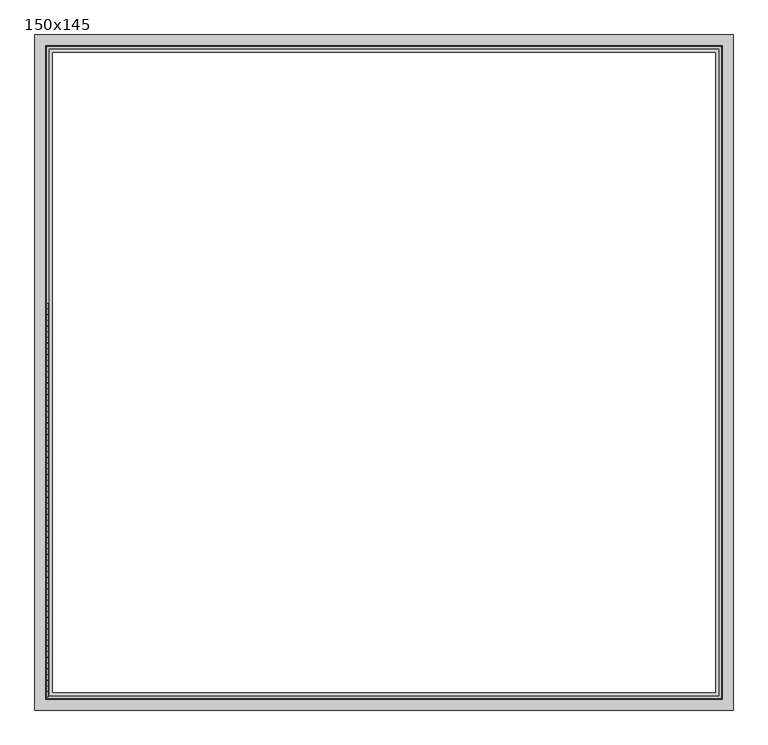
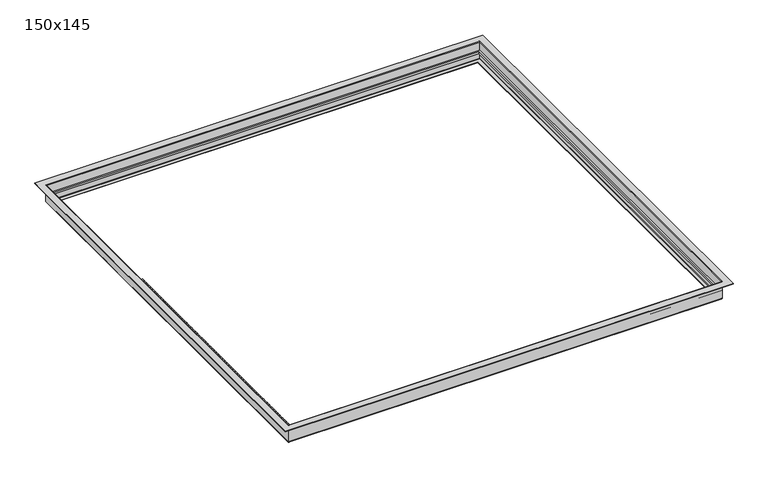
"""IFC4 building model written with IfcOpenShell, lengths in millimetres: proxy geometry, 150x145."""

from ifc_helpers import new_model, si_unit, point, frame, frame_2d, origin, place, context, project, spatial, polyline, circle_curve, ellipse_curve, trimmed, segment, composite_curve, outline, extrude, source, transform, mapped, element, save
from ifc_brep_helpers import plane_surface, cylinder_surface, revolved_surface, advanced_brep


def proxy_150x145_1cbfacc0(model_context):
    return source(origin(), model_context, "Body", "SolidModel", [
        extrude(outline(polyline([(-152.4033794, 725.0033794), (1347.6033794, 725.0033794), (1347.6033794, -725.0033794), (-152.4033794, -725.0033794), (-152.4033794, 725.0033794)]), holes=[polyline([(1341.2533794, 718.6533814), (-146.0533794, 718.6533814), (-146.0533794, -718.6533825), (1341.2533794, -718.6533825), (1341.2533794, 718.6533814)])]), frame((0.0, 0.0, -36.3725982), z_axis=(0.0, 0.0, 1.0), x_axis=(1.0, 0.0, 0.0)), (0.0, 0.0, 1.0), 6.35),
        advanced_brep(
        [(-177.8000002, -750.4000002, 1.5750008), (-177.8000002, -750.4000002, 0.0), (1373.0000002, -750.4000002, 0.0), (1373.0000002, -750.4000002, 1.5750008), (-152.4033794, -725.0033794, -0.1268515), (-154.1781984, -726.7781984, 1.5750008), (1349.3781984, -726.7781984, 1.5750008), (1347.6033794, -725.0033794, -0.1268515), (-152.4033794, -725.0033794, -58.8652384), (1347.6033794, -725.0033794, -58.8652384), (-150.9186192, -723.5186192, -60.3499985), (1346.1186192, -723.5186192, -60.3499985), (-138.100005, -710.700005, -61.9249992), (-138.100005, -710.700005, -60.3499985), (1333.300005, -710.700005, -60.3499985), (1333.300005, -710.700005, -61.9249992), (-153.975001, -726.575001, -59.1648349), (-150.7997951, -723.3997951, -61.9249992), (1345.9997951, -723.3997951, -61.9249992), (1349.175001, -726.575001, -59.1648349), (-153.975001, -726.575001, 0.0), (1349.175001, -726.575001, 0.0), (1373.0000002, 750.4000002, 0.0), (1373.0000002, 750.4000002, 1.5750008), (1349.3781984, 726.7781984, 1.5750008), (1347.6033794, 725.0033794, -0.1268515), (1347.6033794, 725.0033794, -58.8652384), (1346.1186192, 723.5186192, -60.3499985), (1333.300005, 710.700005, -60.3499985), (1333.300005, 710.700005, -61.9249992), (1345.9997951, 723.3997951, -61.9249992), (1349.175001, 726.575001, -59.1648349), (1349.175001, 726.575001, 0.0), (-177.8000002, 750.4000002, 0.0), (-177.8000002, 750.4000002, 1.5750008), (-154.1781984, 726.7781984, 1.5750008), (-152.4033794, 725.0033794, -0.1268515), (-152.4033794, 725.0033794, -58.8652384), (-150.9186192, 723.5186192, -60.3499985), (-138.100005, 710.700005, -60.3499985), (-138.100005, 710.700005, -61.9249992), (-150.7997951, 723.3997951, -61.9249992), (-153.975001, 726.575001, -59.1648349), (-153.975001, 726.575001, 0.0)],
        [
            (0, 1),
            (1, 2),
            (2, 3),
            (3, 0),
            (4, 5, ellipse_curve(frame((-154.1781984, -726.7781984, -0.2013824), z_axis=(0.7071067811865475, -0.7071067811865475, 0.0), x_axis=(-0.7071067811865476, -0.7071067811865474, 0.0)), 2.5121852, 1.7763832)),
            (5, 6),
            (6, 7, ellipse_curve(frame((1349.3781984, -726.7781984, -0.2013824), z_axis=(-0.7071067811865475, -0.7071067811865475, 0.0), x_axis=(-0.7071067811865476, 0.7071067811865474, 0.0)), 2.5121852, 1.7763832)),
            (7, 4),
            (8, 4),
            (7, 9),
            (9, 8),
            (10, 8, ellipse_curve(frame((-150.9186192, -723.5186192, -58.8652384), z_axis=(-0.7071067811865475, 0.7071067811865475, 0.0), x_axis=(0.7071067811865476, 0.7071067811865474, 0.0)), 2.0997679, 1.4847601)),
            (9, 11, ellipse_curve(frame((1346.1186192, -723.5186192, -58.8652384), z_axis=(0.7071067811865475, 0.7071067811865475, 0.0), x_axis=(0.7071067811865476, -0.7071067811865474, 0.0)), 2.0997679, 1.4847601)),
            (11, 10),
            (12, 13),
            (13, 14),
            (14, 15),
            (15, 12),
            (16, 17, ellipse_curve(frame((-150.7997951, -723.3997951, -58.7185888), z_axis=(0.7071067811865475, -0.7071067811865475, 0.0), x_axis=(-0.7071067811865476, -0.7071067811865474, 0.0)), 4.5345492, 3.2064105)),
            (17, 18),
            (18, 19, ellipse_curve(frame((1345.9997951, -723.3997951, -58.7185888), z_axis=(-0.7071067811865475, -0.7071067811865475, 0.0), x_axis=(-0.7071067811865476, 0.7071067811865474, 0.0)), 4.5345492, 3.2064105)),
            (19, 16),
            (20, 16),
            (19, 21),
            (21, 20),
            (2, 22),
            (22, 23),
            (23, 3),
            (6, 24),
            (24, 25, ellipse_curve(frame((1349.3781984, 726.7781984, -0.2013824), z_axis=(0.7071067811865475, -0.7071067811865475, 0.0), x_axis=(-0.7071067811865474, -0.7071067811865476, 0.0)), 2.5121852, 1.7763832)),
            (25, 7),
            (25, 26),
            (26, 9),
            (26, 27, ellipse_curve(frame((1346.1186192, 723.5186192, -58.8652384), z_axis=(-0.7071067811865475, 0.7071067811865475, 0.0), x_axis=(0.7071067811865474, 0.7071067811865476, 0.0)), 2.0997679, 1.4847601)),
            (27, 11),
            (14, 28),
            (28, 29),
            (29, 15),
            (18, 30),
            (30, 31, ellipse_curve(frame((1345.9997951, 723.3997951, -58.7185888), z_axis=(0.7071067811865475, -0.7071067811865475, 0.0), x_axis=(-0.7071067811865474, -0.7071067811865476, 0.0)), 4.5345492, 3.2064105)),
            (31, 19),
            (31, 32),
            (32, 21),
            (22, 33),
            (33, 34),
            (34, 23),
            (24, 35),
            (35, 36, ellipse_curve(frame((-154.1781984, 726.7781984, -0.2013824), z_axis=(0.7071067811865475, 0.7071067811865475, 0.0), x_axis=(0.7071067811865476, -0.7071067811865474, 0.0)), 2.5121852, 1.7763832)),
            (36, 25),
            (36, 37),
            (37, 26),
            (37, 38, ellipse_curve(frame((-150.9186192, 723.5186192, -58.8652384), z_axis=(-0.7071067811865475, -0.7071067811865475, 0.0), x_axis=(-0.7071067811865476, 0.7071067811865474, 0.0)), 2.0997679, 1.4847601)),
            (38, 27),
            (28, 39),
            (39, 40),
            (40, 29),
            (30, 41),
            (41, 42, ellipse_curve(frame((-150.7997951, 723.3997951, -58.7185888), z_axis=(0.7071067811865475, 0.7071067811865475, 0.0), x_axis=(0.7071067811865476, -0.7071067811865474, 0.0)), 4.5345492, 3.2064105)),
            (42, 31),
            (42, 43),
            (43, 32),
            (33, 1),
            (0, 34),
            (5, 35),
            (4, 36),
            (8, 37),
            (10, 38),
            (13, 39),
            (12, 40),
            (17, 41),
            (16, 42),
            (20, 43),
        ],
        [
            plane_surface(frame((-177.8000002, -750.4000002, 0.0), z_axis=(0.0, -1.0, 0.0), x_axis=(1.0, 0.0, 0.0))),
            cylinder_surface(frame((-177.8, -726.7781984, -0.2013824), z_axis=(-1.0, 0.0, 0.0), x_axis=(0.0, 1.0, 0.0)), 1.7763832),
            plane_surface(frame((-152.4033794, -725.0033794, -0.1268515), z_axis=(0.0, 1.0, 0.0), x_axis=(1.0, 0.0, 0.0))),
            revolved_surface(polyline([(1347.6033794, -722.0338591, -58.8652384), (-152.4033794, -722.0338591, -58.8652384)]), (-177.8, -723.5186192, -58.8652384), (1.0, 0.0, 0.0)),
            plane_surface(frame((-138.100005, -710.700005, -60.3499985), z_axis=(0.0, 1.0, 0.0), x_axis=(1.0, 0.0, 0.0))),
            cylinder_surface(frame((-177.8, -723.3997951, -58.7185888), z_axis=(-1.0, 0.0, 0.0), x_axis=(0.0, 1.0, 0.0)), 3.2064105),
            plane_surface(frame((-153.975001, -726.575001, -59.1648349), z_axis=(0.0, -1.0, 0.0), x_axis=(1.0, 0.0, 0.0))),
            plane_surface(frame((1373.0000002, -750.4000002, 0.0), z_axis=(1.0, 0.0, 0.0), x_axis=(0.0, 1.0, 0.0))),
            cylinder_surface(frame((1349.3781984, -750.4, -0.2013824), z_axis=(0.0, -1.0, 0.0), x_axis=(-1.0, 0.0, 0.0)), 1.7763832),
            plane_surface(frame((1347.6033794, -725.0033794, -0.1268515), z_axis=(-1.0, 0.0, 0.0), x_axis=(0.0, 1.0, 0.0))),
            revolved_surface(polyline([(1344.6338591, 725.0033794, -58.8652384), (1344.6338591, -725.0033794, -58.8652384)]), (1346.1186192, -750.4, -58.8652384), (0.0, 1.0, 0.0)),
            plane_surface(frame((1333.300005, -710.700005, -60.3499985), z_axis=(-1.0, 0.0, 0.0), x_axis=(0.0, 1.0, 0.0))),
            cylinder_surface(frame((1345.9997951, -750.4, -58.7185888), z_axis=(0.0, -1.0, 0.0), x_axis=(-1.0, 0.0, 0.0)), 3.2064105),
            plane_surface(frame((1349.175001, -726.575001, -59.1648349), z_axis=(1.0, 0.0, 0.0), x_axis=(0.0, 1.0, 0.0))),
            plane_surface(frame((1373.0000002, 750.4000002, 0.0), z_axis=(0.0, 1.0, 0.0), x_axis=(-1.0, 0.0, 0.0))),
            cylinder_surface(frame((1373.0, 726.7781984, -0.2013824), z_axis=(1.0, 0.0, 0.0), x_axis=(0.0, -1.0, 0.0)), 1.7763832),
            plane_surface(frame((1347.6033794, 725.0033794, -0.1268515), z_axis=(0.0, -1.0, 0.0), x_axis=(-1.0, 0.0, 0.0))),
            revolved_surface(polyline([(-152.40337939999995, 722.0338591, -58.8652384), (1347.6033794, 722.0338591, -58.8652384)]), (1373.0, 723.5186192, -58.8652384), (-1.0, 0.0, 0.0)),
            plane_surface(frame((1333.300005, 710.700005, -60.3499985), z_axis=(0.0, -1.0, 0.0), x_axis=(-1.0, 0.0, 0.0))),
            cylinder_surface(frame((1373.0, 723.3997951, -58.7185888), z_axis=(1.0, 0.0, 0.0), x_axis=(0.0, -1.0, 0.0)), 3.2064105),
            plane_surface(frame((1349.175001, 726.575001, -59.1648349), z_axis=(0.0, 1.0, 0.0), x_axis=(-1.0, 0.0, 0.0))),
            plane_surface(frame((-177.8000002, 750.4000002, 0.0), z_axis=(-1.0, 0.0, 0.0), x_axis=(0.0, -1.0, 0.0))),
            plane_surface(frame((-177.8000002, 750.4000002, 1.5750008), z_axis=(0.0, 0.0, 1.0), x_axis=(0.0, -1.0, 0.0))),
            cylinder_surface(frame((-154.1781984, 750.4, -0.2013824), z_axis=(0.0, 1.0, 0.0), x_axis=(1.0, 0.0, 0.0)), 1.7763832),
            plane_surface(frame((-152.4033794, 725.0033794, -0.1268515), z_axis=(1.0, 0.0, 0.0), x_axis=(0.0, -1.0, 0.0))),
            revolved_surface(polyline([(-149.4338591, -725.0033794, -58.8652384), (-149.4338591, 725.0033794, -58.8652384)]), (-150.9186192, 750.4, -58.8652384), (0.0, -1.0, 0.0)),
            plane_surface(frame((-150.9186192, 723.5186192, -60.3499985), z_axis=(0.0, 0.0, 1.0), x_axis=(0.0, -1.0, 0.0))),
            plane_surface(frame((-138.100005, 710.700005, -60.3499985), z_axis=(1.0, 0.0, 0.0), x_axis=(0.0, -1.0, 0.0))),
            plane_surface(frame((-138.100005, 710.700005, -61.9249992), z_axis=(0.0, 0.0, -1.0), x_axis=(0.0, -1.0, 0.0))),
            cylinder_surface(frame((-150.7997951, 750.4, -58.7185888), z_axis=(0.0, 1.0, 0.0), x_axis=(1.0, 0.0, 0.0)), 3.2064105),
            plane_surface(frame((-153.975001, 726.575001, -59.1648349), z_axis=(-1.0, 0.0, 0.0), x_axis=(0.0, -1.0, 0.0))),
            plane_surface(frame((-153.975001, 726.575001, 0.0), z_axis=(0.0, 0.0, -1.0), x_axis=(0.0, -1.0, 0.0))),
        ],
        [
            (0, [[1, 2, 3, 4]]),
            (1, [[5, 6, 7, 8]]),
            (2, [[9, -8, 10, 11]]),
            (3, [[12, -11, 13, 14]]),
            (4, [[15, 16, 17, 18]]),
            (5, [[19, 20, 21, 22]]),
            (6, [[23, -22, 24, 25]]),
            (7, [[-3, 26, 27, 28]]),
            (8, [[-7, 29, 30, 31]]),
            (9, [[-10, -31, 32, 33]]),
            (10, [[-13, -33, 34, 35]]),
            (11, [[-17, 36, 37, 38]]),
            (12, [[-21, 39, 40, 41]]),
            (13, [[-24, -41, 42, 43]]),
            (14, [[-27, 44, 45, 46]]),
            (15, [[-30, 47, 48, 49]]),
            (16, [[-32, -49, 50, 51]]),
            (17, [[-34, -51, 52, 53]]),
            (18, [[-37, 54, 55, 56]]),
            (19, [[-40, 57, 58, 59]]),
            (20, [[-42, -59, 60, 61]]),
            (21, [[-45, 62, -1, 63]]),
            (22, [[-28, -46, -63, -4], [64, -47, -29, -6]]),
            (23, [[-48, -64, -5, 65]]),
            (24, [[-50, -65, -9, 66]]),
            (25, [[-52, -66, -12, 67]]),
            (26, [[-35, -53, -67, -14], [68, -54, -36, -16]]),
            (27, [[-55, -68, -15, 69]]),
            (28, [[70, -57, -39, -20], [-38, -56, -69, -18]]),
            (29, [[-58, -70, -19, 71]]),
            (30, [[-60, -71, -23, 72]]),
            (31, [[-62, -44, -26, -2], [-43, -61, -72, -25]]),
        ],
    ),
        extrude(outline(composite_curve([segment(trimmed(circle_curve(frame_2d((0.0, -150.415625)), 1.984375), [point((0.0, -152.4))], [point((0.0, -148.43125))], False, "CARTESIAN"), True, "CONTINUOUS"), segment(trimmed(circle_curve(frame_2d((0.0, -150.415625)), 1.984375), [point((0.0, -148.43125))], [point((0.0, -152.4))], False, "CARTESIAN"), True, "CONTINUOUS")], self_intersect=False)), frame((0.0, -721.2125, 0.0), z_axis=(0.0, 1.0, 0.0), x_axis=(0.0, 0.0, 1.0)), (0.0, 0.0, 1.0), 11.1125),
        extrude(outline(composite_curve([segment(trimmed(circle_curve(frame_2d((0.0, -150.415625)), 1.984375), [point((0.0, -152.4))], [point((0.0, -148.43125))], False, "CARTESIAN"), True, "CONTINUOUS"), segment(trimmed(circle_curve(frame_2d((0.0, -150.415625)), 1.984375), [point((0.0, -148.43125))], [point((0.0, -152.4))], False, "CARTESIAN"), True, "CONTINUOUS")], self_intersect=False)), frame((0.0, -708.5125, 0.0), z_axis=(0.0, 1.0, 0.0), x_axis=(0.0, 0.0, 1.0)), (0.0, 0.0, 1.0), 11.1125),
        extrude(outline(composite_curve([segment(trimmed(circle_curve(frame_2d((0.0, -150.415625)), 1.984375), [point((0.0, -152.4))], [point((0.0, -148.43125))], False, "CARTESIAN"), True, "CONTINUOUS"), segment(trimmed(circle_curve(frame_2d((0.0, -150.415625)), 1.984375), [point((0.0, -148.43125))], [point((0.0, -152.4))], False, "CARTESIAN"), True, "CONTINUOUS")], self_intersect=False)), frame((0.0, -695.8125, 0.0), z_axis=(0.0, 1.0, 0.0), x_axis=(0.0, 0.0, 1.0)), (0.0, 0.0, 1.0), 11.1125),
        extrude(outline(composite_curve([segment(trimmed(circle_curve(frame_2d((0.0, -150.415625)), 1.984375), [point((0.0, -152.4))], [point((0.0, -148.43125))], False, "CARTESIAN"), True, "CONTINUOUS"), segment(trimmed(circle_curve(frame_2d((0.0, -150.415625)), 1.984375), [point((0.0, -148.43125))], [point((0.0, -152.4))], False, "CARTESIAN"), True, "CONTINUOUS")], self_intersect=False)), frame((0.0, -683.1125, 0.0), z_axis=(0.0, 1.0, 0.0), x_axis=(0.0, 0.0, 1.0)), (0.0, 0.0, 1.0), 11.1125),
        extrude(outline(composite_curve([segment(trimmed(circle_curve(frame_2d((0.0, -150.415625)), 1.984375), [point((0.0, -152.4))], [point((0.0, -148.43125))], False, "CARTESIAN"), True, "CONTINUOUS"), segment(trimmed(circle_curve(frame_2d((0.0, -150.415625)), 1.984375), [point((0.0, -148.43125))], [point((0.0, -152.4))], False, "CARTESIAN"), True, "CONTINUOUS")], self_intersect=False)), frame((0.0, -670.4125, 0.0), z_axis=(0.0, 1.0, 0.0), x_axis=(0.0, 0.0, 1.0)), (0.0, 0.0, 1.0), 11.1125),
        extrude(outline(composite_curve([segment(trimmed(circle_curve(frame_2d((0.0, -150.415625)), 1.984375), [point((0.0, -152.4))], [point((0.0, -148.43125))], False, "CARTESIAN"), True, "CONTINUOUS"), segment(trimmed(circle_curve(frame_2d((0.0, -150.415625)), 1.984375), [point((0.0, -148.43125))], [point((0.0, -152.4))], False, "CARTESIAN"), True, "CONTINUOUS")], self_intersect=False)), frame((0.0, -657.7125, 0.0), z_axis=(0.0, 1.0, 0.0), x_axis=(0.0, 0.0, 1.0)), (0.0, 0.0, 1.0), 11.1125),
        extrude(outline(composite_curve([segment(trimmed(circle_curve(frame_2d((0.0, -150.415625)), 1.984375), [point((0.0, -152.4))], [point((0.0, -148.43125))], False, "CARTESIAN"), True, "CONTINUOUS"), segment(trimmed(circle_curve(frame_2d((0.0, -150.415625)), 1.984375), [point((0.0, -148.43125))], [point((0.0, -152.4))], False, "CARTESIAN"), True, "CONTINUOUS")], self_intersect=False)), frame((0.0, -645.0125, 0.0), z_axis=(0.0, 1.0, 0.0), x_axis=(0.0, 0.0, 1.0)), (0.0, 0.0, 1.0), 11.1125),
        extrude(outline(composite_curve([segment(trimmed(circle_curve(frame_2d((0.0, -150.415625)), 1.984375), [point((0.0, -152.4))], [point((0.0, -148.43125))], False, "CARTESIAN"), True, "CONTINUOUS"), segment(trimmed(circle_curve(frame_2d((0.0, -150.415625)), 1.984375), [point((0.0, -148.43125))], [point((0.0, -152.4))], False, "CARTESIAN"), True, "CONTINUOUS")], self_intersect=False)), frame((0.0, -632.3125, 0.0), z_axis=(0.0, 1.0, 0.0), x_axis=(0.0, 0.0, 1.0)), (0.0, 0.0, 1.0), 11.1125),
        extrude(outline(composite_curve([segment(trimmed(circle_curve(frame_2d((0.0, -150.415625)), 1.984375), [point((0.0, -152.4))], [point((0.0, -148.43125))], False, "CARTESIAN"), True, "CONTINUOUS"), segment(trimmed(circle_curve(frame_2d((0.0, -150.415625)), 1.984375), [point((0.0, -148.43125))], [point((0.0, -152.4))], False, "CARTESIAN"), True, "CONTINUOUS")], self_intersect=False)), frame((0.0, -619.6125, 0.0), z_axis=(0.0, 1.0, 0.0), x_axis=(0.0, 0.0, 1.0)), (0.0, 0.0, 1.0), 11.1125),
        extrude(outline(composite_curve([segment(trimmed(circle_curve(frame_2d((0.0, -150.415625)), 1.984375), [point((0.0, -152.4))], [point((0.0, -148.43125))], False, "CARTESIAN"), True, "CONTINUOUS"), segment(trimmed(circle_curve(frame_2d((0.0, -150.415625)), 1.984375), [point((0.0, -148.43125))], [point((0.0, -152.4))], False, "CARTESIAN"), True, "CONTINUOUS")], self_intersect=False)), frame((0.0, -606.9125, 0.0), z_axis=(0.0, 1.0, 0.0), x_axis=(0.0, 0.0, 1.0)), (0.0, 0.0, 1.0), 11.1125),
        extrude(outline(composite_curve([segment(trimmed(circle_curve(frame_2d((0.0, -150.415625)), 1.984375), [point((0.0, -152.4))], [point((0.0, -148.43125))], False, "CARTESIAN"), True, "CONTINUOUS"), segment(trimmed(circle_curve(frame_2d((0.0, -150.415625)), 1.984375), [point((0.0, -148.43125))], [point((0.0, -152.4))], False, "CARTESIAN"), True, "CONTINUOUS")], self_intersect=False)), frame((0.0, -594.2125, 0.0), z_axis=(0.0, 1.0, 0.0), x_axis=(0.0, 0.0, 1.0)), (0.0, 0.0, 1.0), 11.1125),
        extrude(outline(composite_curve([segment(trimmed(circle_curve(frame_2d((0.0, -150.415625)), 1.984375), [point((0.0, -152.4))], [point((0.0, -148.43125))], False, "CARTESIAN"), True, "CONTINUOUS"), segment(trimmed(circle_curve(frame_2d((0.0, -150.415625)), 1.984375), [point((0.0, -148.43125))], [point((0.0, -152.4))], False, "CARTESIAN"), True, "CONTINUOUS")], self_intersect=False)), frame((0.0, -581.5125, 0.0), z_axis=(0.0, 1.0, 0.0), x_axis=(0.0, 0.0, 1.0)), (0.0, 0.0, 1.0), 11.1125),
        extrude(outline(composite_curve([segment(trimmed(circle_curve(frame_2d((0.0, -150.415625)), 1.984375), [point((0.0, -152.4))], [point((0.0, -148.43125))], False, "CARTESIAN"), True, "CONTINUOUS"), segment(trimmed(circle_curve(frame_2d((0.0, -150.415625)), 1.984375), [point((0.0, -148.43125))], [point((0.0, -152.4))], False, "CARTESIAN"), True, "CONTINUOUS")], self_intersect=False)), frame((0.0, -568.8125, 0.0), z_axis=(0.0, 1.0, 0.0), x_axis=(0.0, 0.0, 1.0)), (0.0, 0.0, 1.0), 11.1125),
        extrude(outline(composite_curve([segment(trimmed(circle_curve(frame_2d((0.0, -150.415625)), 1.984375), [point((0.0, -152.4))], [point((0.0, -148.43125))], False, "CARTESIAN"), True, "CONTINUOUS"), segment(trimmed(circle_curve(frame_2d((0.0, -150.415625)), 1.984375), [point((0.0, -148.43125))], [point((0.0, -152.4))], False, "CARTESIAN"), True, "CONTINUOUS")], self_intersect=False)), frame((0.0, -556.1125, 0.0), z_axis=(0.0, 1.0, 0.0), x_axis=(0.0, 0.0, 1.0)), (0.0, 0.0, 1.0), 11.1125),
        extrude(outline(composite_curve([segment(trimmed(circle_curve(frame_2d((0.0, -150.415625)), 1.984375), [point((0.0, -152.4))], [point((0.0, -148.43125))], False, "CARTESIAN"), True, "CONTINUOUS"), segment(trimmed(circle_curve(frame_2d((0.0, -150.415625)), 1.984375), [point((0.0, -148.43125))], [point((0.0, -152.4))], False, "CARTESIAN"), True, "CONTINUOUS")], self_intersect=False)), frame((0.0, -543.4125, 0.0), z_axis=(0.0, 1.0, 0.0), x_axis=(0.0, 0.0, 1.0)), (0.0, 0.0, 1.0), 11.1125),
        extrude(outline(composite_curve([segment(trimmed(circle_curve(frame_2d((0.0, -150.415625)), 1.984375), [point((0.0, -152.4))], [point((0.0, -148.43125))], False, "CARTESIAN"), True, "CONTINUOUS"), segment(trimmed(circle_curve(frame_2d((0.0, -150.415625)), 1.984375), [point((0.0, -148.43125))], [point((0.0, -152.4))], False, "CARTESIAN"), True, "CONTINUOUS")], self_intersect=False)), frame((0.0, -530.7125, 0.0), z_axis=(0.0, 1.0, 0.0), x_axis=(0.0, 0.0, 1.0)), (0.0, 0.0, 1.0), 11.1125),
        extrude(outline(composite_curve([segment(trimmed(circle_curve(frame_2d((0.0, -150.415625)), 1.984375), [point((0.0, -152.4))], [point((0.0, -148.43125))], False, "CARTESIAN"), True, "CONTINUOUS"), segment(trimmed(circle_curve(frame_2d((0.0, -150.415625)), 1.984375), [point((0.0, -148.43125))], [point((0.0, -152.4))], False, "CARTESIAN"), True, "CONTINUOUS")], self_intersect=False)), frame((0.0, -518.0125, 0.0), z_axis=(0.0, 1.0, 0.0), x_axis=(0.0, 0.0, 1.0)), (0.0, 0.0, 1.0), 11.1125),
        extrude(outline(composite_curve([segment(trimmed(circle_curve(frame_2d((0.0, -150.415625)), 1.984375), [point((0.0, -152.4))], [point((0.0, -148.43125))], False, "CARTESIAN"), True, "CONTINUOUS"), segment(trimmed(circle_curve(frame_2d((0.0, -150.415625)), 1.984375), [point((0.0, -148.43125))], [point((0.0, -152.4))], False, "CARTESIAN"), True, "CONTINUOUS")], self_intersect=False)), frame((0.0, -505.3125, 0.0), z_axis=(0.0, 1.0, 0.0), x_axis=(0.0, 0.0, 1.0)), (0.0, 0.0, 1.0), 11.1125),
        extrude(outline(composite_curve([segment(trimmed(circle_curve(frame_2d((0.0, -150.415625)), 1.984375), [point((0.0, -152.4))], [point((0.0, -148.43125))], False, "CARTESIAN"), True, "CONTINUOUS"), segment(trimmed(circle_curve(frame_2d((0.0, -150.415625)), 1.984375), [point((0.0, -148.43125))], [point((0.0, -152.4))], False, "CARTESIAN"), True, "CONTINUOUS")], self_intersect=False)), frame((0.0, -492.6125, 0.0), z_axis=(0.0, 1.0, 0.0), x_axis=(0.0, 0.0, 1.0)), (0.0, 0.0, 1.0), 11.1125),
        extrude(outline(composite_curve([segment(trimmed(circle_curve(frame_2d((0.0, -150.415625)), 1.984375), [point((0.0, -152.4))], [point((0.0, -148.43125))], False, "CARTESIAN"), True, "CONTINUOUS"), segment(trimmed(circle_curve(frame_2d((0.0, -150.415625)), 1.984375), [point((0.0, -148.43125))], [point((0.0, -152.4))], False, "CARTESIAN"), True, "CONTINUOUS")], self_intersect=False)), frame((0.0, -479.9125, 0.0), z_axis=(0.0, 1.0, 0.0), x_axis=(0.0, 0.0, 1.0)), (0.0, 0.0, 1.0), 11.1125),
        extrude(outline(composite_curve([segment(trimmed(circle_curve(frame_2d((0.0, -150.415625)), 1.984375), [point((0.0, -152.4))], [point((0.0, -148.43125))], False, "CARTESIAN"), True, "CONTINUOUS"), segment(trimmed(circle_curve(frame_2d((0.0, -150.415625)), 1.984375), [point((0.0, -148.43125))], [point((0.0, -152.4))], False, "CARTESIAN"), True, "CONTINUOUS")], self_intersect=False)), frame((0.0, -467.2125, 0.0), z_axis=(0.0, 1.0, 0.0), x_axis=(0.0, 0.0, 1.0)), (0.0, 0.0, 1.0), 11.1125),
        extrude(outline(composite_curve([segment(trimmed(circle_curve(frame_2d((0.0, -150.415625)), 1.984375), [point((0.0, -152.4))], [point((0.0, -148.43125))], False, "CARTESIAN"), True, "CONTINUOUS"), segment(trimmed(circle_curve(frame_2d((0.0, -150.415625)), 1.984375), [point((0.0, -148.43125))], [point((0.0, -152.4))], False, "CARTESIAN"), True, "CONTINUOUS")], self_intersect=False)), frame((0.0, -454.5125, 0.0), z_axis=(0.0, 1.0, 0.0), x_axis=(0.0, 0.0, 1.0)), (0.0, 0.0, 1.0), 11.1125),
        extrude(outline(composite_curve([segment(trimmed(circle_curve(frame_2d((0.0, -150.415625)), 1.984375), [point((0.0, -152.4))], [point((0.0, -148.43125))], False, "CARTESIAN"), True, "CONTINUOUS"), segment(trimmed(circle_curve(frame_2d((0.0, -150.415625)), 1.984375), [point((0.0, -148.43125))], [point((0.0, -152.4))], False, "CARTESIAN"), True, "CONTINUOUS")], self_intersect=False)), frame((0.0, -441.8125, 0.0), z_axis=(0.0, 1.0, 0.0), x_axis=(0.0, 0.0, 1.0)), (0.0, 0.0, 1.0), 11.1125),
        extrude(outline(composite_curve([segment(trimmed(circle_curve(frame_2d((0.0, -150.415625)), 1.984375), [point((0.0, -152.4))], [point((0.0, -148.43125))], False, "CARTESIAN"), True, "CONTINUOUS"), segment(trimmed(circle_curve(frame_2d((0.0, -150.415625)), 1.984375), [point((0.0, -148.43125))], [point((0.0, -152.4))], False, "CARTESIAN"), True, "CONTINUOUS")], self_intersect=False)), frame((0.0, -429.1125, 0.0), z_axis=(0.0, 1.0, 0.0), x_axis=(0.0, 0.0, 1.0)), (0.0, 0.0, 1.0), 11.1125),
        extrude(outline(composite_curve([segment(trimmed(circle_curve(frame_2d((0.0, -150.415625)), 1.984375), [point((0.0, -152.4))], [point((0.0, -148.43125))], False, "CARTESIAN"), True, "CONTINUOUS"), segment(trimmed(circle_curve(frame_2d((0.0, -150.415625)), 1.984375), [point((0.0, -148.43125))], [point((0.0, -152.4))], False, "CARTESIAN"), True, "CONTINUOUS")], self_intersect=False)), frame((0.0, -416.4125, 0.0), z_axis=(0.0, 1.0, 0.0), x_axis=(0.0, 0.0, 1.0)), (0.0, 0.0, 1.0), 11.1125),
        extrude(outline(composite_curve([segment(trimmed(circle_curve(frame_2d((0.0, -150.415625)), 1.984375), [point((0.0, -152.4))], [point((0.0, -148.43125))], False, "CARTESIAN"), True, "CONTINUOUS"), segment(trimmed(circle_curve(frame_2d((0.0, -150.415625)), 1.984375), [point((0.0, -148.43125))], [point((0.0, -152.4))], False, "CARTESIAN"), True, "CONTINUOUS")], self_intersect=False)), frame((0.0, -403.7125, 0.0), z_axis=(0.0, 1.0, 0.0), x_axis=(0.0, 0.0, 1.0)), (0.0, 0.0, 1.0), 11.1125),
        extrude(outline(composite_curve([segment(trimmed(circle_curve(frame_2d((0.0, -150.415625)), 1.984375), [point((0.0, -152.4))], [point((0.0, -148.43125))], False, "CARTESIAN"), True, "CONTINUOUS"), segment(trimmed(circle_curve(frame_2d((0.0, -150.415625)), 1.984375), [point((0.0, -148.43125))], [point((0.0, -152.4))], False, "CARTESIAN"), True, "CONTINUOUS")], self_intersect=False)), frame((0.0, -391.0125, 0.0), z_axis=(0.0, 1.0, 0.0), x_axis=(0.0, 0.0, 1.0)), (0.0, 0.0, 1.0), 11.1125),
        extrude(outline(composite_curve([segment(trimmed(circle_curve(frame_2d((0.0, -150.415625)), 1.984375), [point((0.0, -152.4))], [point((0.0, -148.43125))], False, "CARTESIAN"), True, "CONTINUOUS"), segment(trimmed(circle_curve(frame_2d((0.0, -150.415625)), 1.984375), [point((0.0, -148.43125))], [point((0.0, -152.4))], False, "CARTESIAN"), True, "CONTINUOUS")], self_intersect=False)), frame((0.0, -378.3125, 0.0), z_axis=(0.0, 1.0, 0.0), x_axis=(0.0, 0.0, 1.0)), (0.0, 0.0, 1.0), 11.1125),
        extrude(outline(composite_curve([segment(trimmed(circle_curve(frame_2d((0.0, -150.415625)), 1.984375), [point((0.0, -152.4))], [point((0.0, -148.43125))], False, "CARTESIAN"), True, "CONTINUOUS"), segment(trimmed(circle_curve(frame_2d((0.0, -150.415625)), 1.984375), [point((0.0, -148.43125))], [point((0.0, -152.4))], False, "CARTESIAN"), True, "CONTINUOUS")], self_intersect=False)), frame((0.0, -365.6125, 0.0), z_axis=(0.0, 1.0, 0.0), x_axis=(0.0, 0.0, 1.0)), (0.0, 0.0, 1.0), 11.1125),
        extrude(outline(composite_curve([segment(trimmed(circle_curve(frame_2d((0.0, -150.415625)), 1.984375), [point((0.0, -152.4))], [point((0.0, -148.43125))], False, "CARTESIAN"), True, "CONTINUOUS"), segment(trimmed(circle_curve(frame_2d((0.0, -150.415625)), 1.984375), [point((0.0, -148.43125))], [point((0.0, -152.4))], False, "CARTESIAN"), True, "CONTINUOUS")], self_intersect=False)), frame((0.0, -352.9125, 0.0), z_axis=(0.0, 1.0, 0.0), x_axis=(0.0, 0.0, 1.0)), (0.0, 0.0, 1.0), 11.1125),
        extrude(outline(composite_curve([segment(trimmed(circle_curve(frame_2d((0.0, -150.415625)), 1.984375), [point((0.0, -152.4))], [point((0.0, -148.43125))], False, "CARTESIAN"), True, "CONTINUOUS"), segment(trimmed(circle_curve(frame_2d((0.0, -150.415625)), 1.984375), [point((0.0, -148.43125))], [point((0.0, -152.4))], False, "CARTESIAN"), True, "CONTINUOUS")], self_intersect=False)), frame((0.0, -340.2125, 0.0), z_axis=(0.0, 1.0, 0.0), x_axis=(0.0, 0.0, 1.0)), (0.0, 0.0, 1.0), 11.1125),
        extrude(outline(composite_curve([segment(trimmed(circle_curve(frame_2d((0.0, -150.415625)), 1.984375), [point((0.0, -152.4))], [point((0.0, -148.43125))], False, "CARTESIAN"), True, "CONTINUOUS"), segment(trimmed(circle_curve(frame_2d((0.0, -150.415625)), 1.984375), [point((0.0, -148.43125))], [point((0.0, -152.4))], False, "CARTESIAN"), True, "CONTINUOUS")], self_intersect=False)), frame((0.0, -327.5125, 0.0), z_axis=(0.0, 1.0, 0.0), x_axis=(0.0, 0.0, 1.0)), (0.0, 0.0, 1.0), 11.1125),
        extrude(outline(composite_curve([segment(trimmed(circle_curve(frame_2d((0.0, -150.415625)), 1.984375), [point((0.0, -152.4))], [point((0.0, -148.43125))], False, "CARTESIAN"), True, "CONTINUOUS"), segment(trimmed(circle_curve(frame_2d((0.0, -150.415625)), 1.984375), [point((0.0, -148.43125))], [point((0.0, -152.4))], False, "CARTESIAN"), True, "CONTINUOUS")], self_intersect=False)), frame((0.0, -314.8125, 0.0), z_axis=(0.0, 1.0, 0.0), x_axis=(0.0, 0.0, 1.0)), (0.0, 0.0, 1.0), 11.1125),
        extrude(outline(composite_curve([segment(trimmed(circle_curve(frame_2d((0.0, -150.415625)), 1.984375), [point((0.0, -152.4))], [point((0.0, -148.43125))], False, "CARTESIAN"), True, "CONTINUOUS"), segment(trimmed(circle_curve(frame_2d((0.0, -150.415625)), 1.984375), [point((0.0, -148.43125))], [point((0.0, -152.4))], False, "CARTESIAN"), True, "CONTINUOUS")], self_intersect=False)), frame((0.0, -302.1125, 0.0), z_axis=(0.0, 1.0, 0.0), x_axis=(0.0, 0.0, 1.0)), (0.0, 0.0, 1.0), 11.1125),
        extrude(outline(composite_curve([segment(trimmed(circle_curve(frame_2d((0.0, -150.415625)), 1.984375), [point((0.0, -152.4))], [point((0.0, -148.43125))], False, "CARTESIAN"), True, "CONTINUOUS"), segment(trimmed(circle_curve(frame_2d((0.0, -150.415625)), 1.984375), [point((0.0, -148.43125))], [point((0.0, -152.4))], False, "CARTESIAN"), True, "CONTINUOUS")], self_intersect=False)), frame((0.0, -289.4125, 0.0), z_axis=(0.0, 1.0, 0.0), x_axis=(0.0, 0.0, 1.0)), (0.0, 0.0, 1.0), 11.1125),
        extrude(outline(composite_curve([segment(trimmed(circle_curve(frame_2d((0.0, -150.415625)), 1.984375), [point((0.0, -152.4))], [point((0.0, -148.43125))], False, "CARTESIAN"), True, "CONTINUOUS"), segment(trimmed(circle_curve(frame_2d((0.0, -150.415625)), 1.984375), [point((0.0, -148.43125))], [point((0.0, -152.4))], False, "CARTESIAN"), True, "CONTINUOUS")], self_intersect=False)), frame((0.0, -276.7125, 0.0), z_axis=(0.0, 1.0, 0.0), x_axis=(0.0, 0.0, 1.0)), (0.0, 0.0, 1.0), 11.1125),
        extrude(outline(composite_curve([segment(trimmed(circle_curve(frame_2d((0.0, -150.415625)), 1.984375), [point((0.0, -152.4))], [point((0.0, -148.43125))], False, "CARTESIAN"), True, "CONTINUOUS"), segment(trimmed(circle_curve(frame_2d((0.0, -150.415625)), 1.984375), [point((0.0, -148.43125))], [point((0.0, -152.4))], False, "CARTESIAN"), True, "CONTINUOUS")], self_intersect=False)), frame((0.0, -264.0125, 0.0), z_axis=(0.0, 1.0, 0.0), x_axis=(0.0, 0.0, 1.0)), (0.0, 0.0, 1.0), 11.1125),
        extrude(outline(composite_curve([segment(trimmed(circle_curve(frame_2d((0.0, -150.415625)), 1.984375), [point((0.0, -152.4))], [point((0.0, -148.43125))], False, "CARTESIAN"), True, "CONTINUOUS"), segment(trimmed(circle_curve(frame_2d((0.0, -150.415625)), 1.984375), [point((0.0, -148.43125))], [point((0.0, -152.4))], False, "CARTESIAN"), True, "CONTINUOUS")], self_intersect=False)), frame((0.0, -251.3125, 0.0), z_axis=(0.0, 1.0, 0.0), x_axis=(0.0, 0.0, 1.0)), (0.0, 0.0, 1.0), 11.1125),
        extrude(outline(composite_curve([segment(trimmed(circle_curve(frame_2d((0.0, -150.415625)), 1.984375), [point((0.0, -152.4))], [point((0.0, -148.43125))], False, "CARTESIAN"), True, "CONTINUOUS"), segment(trimmed(circle_curve(frame_2d((0.0, -150.415625)), 1.984375), [point((0.0, -148.43125))], [point((0.0, -152.4))], False, "CARTESIAN"), True, "CONTINUOUS")], self_intersect=False)), frame((0.0, -238.6125, 0.0), z_axis=(0.0, 1.0, 0.0), x_axis=(0.0, 0.0, 1.0)), (0.0, 0.0, 1.0), 11.1125),
        extrude(outline(composite_curve([segment(trimmed(circle_curve(frame_2d((0.0, -150.415625)), 1.984375), [point((0.0, -152.4))], [point((0.0, -148.43125))], False, "CARTESIAN"), True, "CONTINUOUS"), segment(trimmed(circle_curve(frame_2d((0.0, -150.415625)), 1.984375), [point((0.0, -148.43125))], [point((0.0, -152.4))], False, "CARTESIAN"), True, "CONTINUOUS")], self_intersect=False)), frame((0.0, -225.9125, 0.0), z_axis=(0.0, 1.0, 0.0), x_axis=(0.0, 0.0, 1.0)), (0.0, 0.0, 1.0), 11.1125),
        extrude(outline(composite_curve([segment(trimmed(circle_curve(frame_2d((0.0, -150.415625)), 1.984375), [point((0.0, -152.4))], [point((0.0, -148.43125))], False, "CARTESIAN"), True, "CONTINUOUS"), segment(trimmed(circle_curve(frame_2d((0.0, -150.415625)), 1.984375), [point((0.0, -148.43125))], [point((0.0, -152.4))], False, "CARTESIAN"), True, "CONTINUOUS")], self_intersect=False)), frame((0.0, -213.2125, 0.0), z_axis=(0.0, 1.0, 0.0), x_axis=(0.0, 0.0, 1.0)), (0.0, 0.0, 1.0), 11.1125),
        extrude(outline(composite_curve([segment(trimmed(circle_curve(frame_2d((0.0, -150.415625)), 1.984375), [point((0.0, -152.4))], [point((0.0, -148.43125))], False, "CARTESIAN"), True, "CONTINUOUS"), segment(trimmed(circle_curve(frame_2d((0.0, -150.415625)), 1.984375), [point((0.0, -148.43125))], [point((0.0, -152.4))], False, "CARTESIAN"), True, "CONTINUOUS")], self_intersect=False)), frame((0.0, -200.5125, 0.0), z_axis=(0.0, 1.0, 0.0), x_axis=(0.0, 0.0, 1.0)), (0.0, 0.0, 1.0), 11.1125),
        extrude(outline(composite_curve([segment(trimmed(circle_curve(frame_2d((0.0, -150.415625)), 1.984375), [point((0.0, -152.4))], [point((0.0, -148.43125))], False, "CARTESIAN"), True, "CONTINUOUS"), segment(trimmed(circle_curve(frame_2d((0.0, -150.415625)), 1.984375), [point((0.0, -148.43125))], [point((0.0, -152.4))], False, "CARTESIAN"), True, "CONTINUOUS")], self_intersect=False)), frame((0.0, -187.8125, 0.0), z_axis=(0.0, 1.0, 0.0), x_axis=(0.0, 0.0, 1.0)), (0.0, 0.0, 1.0), 11.1125),
        extrude(outline(composite_curve([segment(trimmed(circle_curve(frame_2d((0.0, -150.415625)), 1.984375), [point((0.0, -152.4))], [point((0.0, -148.43125))], False, "CARTESIAN"), True, "CONTINUOUS"), segment(trimmed(circle_curve(frame_2d((0.0, -150.415625)), 1.984375), [point((0.0, -148.43125))], [point((0.0, -152.4))], False, "CARTESIAN"), True, "CONTINUOUS")], self_intersect=False)), frame((0.0, -175.1125, 0.0), z_axis=(0.0, 1.0, 0.0), x_axis=(0.0, 0.0, 1.0)), (0.0, 0.0, 1.0), 11.1125),
        extrude(outline(composite_curve([segment(trimmed(circle_curve(frame_2d((0.0, -150.415625)), 1.984375), [point((0.0, -152.4))], [point((0.0, -148.43125))], False, "CARTESIAN"), True, "CONTINUOUS"), segment(trimmed(circle_curve(frame_2d((0.0, -150.415625)), 1.984375), [point((0.0, -148.43125))], [point((0.0, -152.4))], False, "CARTESIAN"), True, "CONTINUOUS")], self_intersect=False)), frame((0.0, -162.4125, 0.0), z_axis=(0.0, 1.0, 0.0), x_axis=(0.0, 0.0, 1.0)), (0.0, 0.0, 1.0), 11.1125),
        extrude(outline(composite_curve([segment(trimmed(circle_curve(frame_2d((0.0, -150.415625)), 1.984375), [point((0.0, -152.4))], [point((0.0, -148.43125))], False, "CARTESIAN"), True, "CONTINUOUS"), segment(trimmed(circle_curve(frame_2d((0.0, -150.415625)), 1.984375), [point((0.0, -148.43125))], [point((0.0, -152.4))], False, "CARTESIAN"), True, "CONTINUOUS")], self_intersect=False)), frame((0.0, -149.7125, 0.0), z_axis=(0.0, 1.0, 0.0), x_axis=(0.0, 0.0, 1.0)), (0.0, 0.0, 1.0), 11.1125),
        extrude(outline(composite_curve([segment(trimmed(circle_curve(frame_2d((0.0, -150.415625)), 1.984375), [point((0.0, -152.4))], [point((0.0, -148.43125))], False, "CARTESIAN"), True, "CONTINUOUS"), segment(trimmed(circle_curve(frame_2d((0.0, -150.415625)), 1.984375), [point((0.0, -148.43125))], [point((0.0, -152.4))], False, "CARTESIAN"), True, "CONTINUOUS")], self_intersect=False)), frame((0.0, -137.0125, 0.0), z_axis=(0.0, 1.0, 0.0), x_axis=(0.0, 0.0, 1.0)), (0.0, 0.0, 1.0), 11.1125),
        extrude(outline(composite_curve([segment(trimmed(circle_curve(frame_2d((0.0, -150.415625)), 1.984375), [point((0.0, -152.4))], [point((0.0, -148.43125))], False, "CARTESIAN"), True, "CONTINUOUS"), segment(trimmed(circle_curve(frame_2d((0.0, -150.415625)), 1.984375), [point((0.0, -148.43125))], [point((0.0, -152.4))], False, "CARTESIAN"), True, "CONTINUOUS")], self_intersect=False)), frame((0.0, -124.3125, 0.0), z_axis=(0.0, 1.0, 0.0), x_axis=(0.0, 0.0, 1.0)), (0.0, 0.0, 1.0), 11.1125),
        extrude(outline(composite_curve([segment(trimmed(circle_curve(frame_2d((0.0, -150.415625)), 1.984375), [point((0.0, -152.4))], [point((0.0, -148.43125))], False, "CARTESIAN"), True, "CONTINUOUS"), segment(trimmed(circle_curve(frame_2d((0.0, -150.415625)), 1.984375), [point((0.0, -148.43125))], [point((0.0, -152.4))], False, "CARTESIAN"), True, "CONTINUOUS")], self_intersect=False)), frame((0.0, -111.6125, 0.0), z_axis=(0.0, 1.0, 0.0), x_axis=(0.0, 0.0, 1.0)), (0.0, 0.0, 1.0), 11.1125),
        extrude(outline(composite_curve([segment(trimmed(circle_curve(frame_2d((0.0, -150.415625)), 1.984375), [point((0.0, -152.4))], [point((0.0, -148.43125))], False, "CARTESIAN"), True, "CONTINUOUS"), segment(trimmed(circle_curve(frame_2d((0.0, -150.415625)), 1.984375), [point((0.0, -148.43125))], [point((0.0, -152.4))], False, "CARTESIAN"), True, "CONTINUOUS")], self_intersect=False)), frame((0.0, -98.9125, 0.0), z_axis=(0.0, 1.0, 0.0), x_axis=(0.0, 0.0, 1.0)), (0.0, 0.0, 1.0), 11.1125),
        extrude(outline(composite_curve([segment(trimmed(circle_curve(frame_2d((0.0, -150.415625)), 1.984375), [point((0.0, -152.4))], [point((0.0, -148.43125))], False, "CARTESIAN"), True, "CONTINUOUS"), segment(trimmed(circle_curve(frame_2d((0.0, -150.415625)), 1.984375), [point((0.0, -148.43125))], [point((0.0, -152.4))], False, "CARTESIAN"), True, "CONTINUOUS")], self_intersect=False)), frame((0.0, -86.2125, 0.0), z_axis=(0.0, 1.0, 0.0), x_axis=(0.0, 0.0, 1.0)), (0.0, 0.0, 1.0), 11.1125),
        extrude(outline(composite_curve([segment(trimmed(circle_curve(frame_2d((0.0, -150.415625)), 1.984375), [point((0.0, -152.4))], [point((0.0, -148.43125))], False, "CARTESIAN"), True, "CONTINUOUS"), segment(trimmed(circle_curve(frame_2d((0.0, -150.415625)), 1.984375), [point((0.0, -148.43125))], [point((0.0, -152.4))], False, "CARTESIAN"), True, "CONTINUOUS")], self_intersect=False)), frame((0.0, -73.5125, 0.0), z_axis=(0.0, 1.0, 0.0), x_axis=(0.0, 0.0, 1.0)), (0.0, 0.0, 1.0), 11.1125),
        extrude(outline(composite_curve([segment(trimmed(circle_curve(frame_2d((0.0, -150.415625)), 1.984375), [point((0.0, -152.4))], [point((0.0, -148.43125))], False, "CARTESIAN"), True, "CONTINUOUS"), segment(trimmed(circle_curve(frame_2d((0.0, -150.415625)), 1.984375), [point((0.0, -148.43125))], [point((0.0, -152.4))], False, "CARTESIAN"), True, "CONTINUOUS")], self_intersect=False)), frame((0.0, -60.8125, 0.0), z_axis=(0.0, 1.0, 0.0), x_axis=(0.0, 0.0, 1.0)), (0.0, 0.0, 1.0), 11.1125),
        extrude(outline(composite_curve([segment(trimmed(circle_curve(frame_2d((0.0, -150.415625)), 1.984375), [point((0.0, -152.4))], [point((0.0, -148.43125))], False, "CARTESIAN"), True, "CONTINUOUS"), segment(trimmed(circle_curve(frame_2d((0.0, -150.415625)), 1.984375), [point((0.0, -148.43125))], [point((0.0, -152.4))], False, "CARTESIAN"), True, "CONTINUOUS")], self_intersect=False)), frame((0.0, -48.1125, 0.0), z_axis=(0.0, 1.0, 0.0), x_axis=(0.0, 0.0, 1.0)), (0.0, 0.0, 1.0), 11.1125),
        extrude(outline(composite_curve([segment(trimmed(circle_curve(frame_2d((0.0, -150.415625)), 1.984375), [point((0.0, -152.4))], [point((0.0, -148.43125))], False, "CARTESIAN"), True, "CONTINUOUS"), segment(trimmed(circle_curve(frame_2d((0.0, -150.415625)), 1.984375), [point((0.0, -148.43125))], [point((0.0, -152.4))], False, "CARTESIAN"), True, "CONTINUOUS")], self_intersect=False)), frame((0.0, -35.4125, 0.0), z_axis=(0.0, 1.0, 0.0), x_axis=(0.0, 0.0, 1.0)), (0.0, 0.0, 1.0), 11.1125),
        extrude(outline(composite_curve([segment(trimmed(circle_curve(frame_2d((0.0, -150.415625)), 1.984375), [point((0.0, -152.4))], [point((0.0, -148.43125))], False, "CARTESIAN"), True, "CONTINUOUS"), segment(trimmed(circle_curve(frame_2d((0.0, -150.415625)), 1.984375), [point((0.0, -148.43125))], [point((0.0, -152.4))], False, "CARTESIAN"), True, "CONTINUOUS")], self_intersect=False)), frame((0.0, -22.7125, 0.0), z_axis=(0.0, 1.0, 0.0), x_axis=(0.0, 0.0, 1.0)), (0.0, 0.0, 1.0), 11.1125),
        extrude(outline(composite_curve([segment(trimmed(circle_curve(frame_2d((0.0, -150.415625)), 1.984375), [point((0.0, -152.4))], [point((0.0, -148.43125))], False, "CARTESIAN"), True, "CONTINUOUS"), segment(trimmed(circle_curve(frame_2d((0.0, -150.415625)), 1.984375), [point((0.0, -148.43125))], [point((0.0, -152.4))], False, "CARTESIAN"), True, "CONTINUOUS")], self_intersect=False)), frame((0.0, -10.0125, 0.0), z_axis=(0.0, 1.0, 0.0), x_axis=(0.0, 0.0, 1.0)), (0.0, 0.0, 1.0), 11.1125),
        extrude(outline(composite_curve([segment(trimmed(circle_curve(frame_2d((0.0, -150.415625)), 1.984375), [point((0.0, -152.4))], [point((0.0, -148.43125))], False, "CARTESIAN"), True, "CONTINUOUS"), segment(trimmed(circle_curve(frame_2d((0.0, -150.415625)), 1.984375), [point((0.0, -148.43125))], [point((0.0, -152.4))], False, "CARTESIAN"), True, "CONTINUOUS")], self_intersect=False)), frame((0.0, 2.6875, 0.0), z_axis=(0.0, 1.0, 0.0), x_axis=(0.0, 0.0, 1.0)), (0.0, 0.0, 1.0), 11.1125),
        extrude(outline(composite_curve([segment(trimmed(circle_curve(frame_2d((0.0, -150.415625)), 1.984375), [point((0.0, -152.4))], [point((0.0, -148.43125))], False, "CARTESIAN"), True, "CONTINUOUS"), segment(trimmed(circle_curve(frame_2d((0.0, -150.415625)), 1.984375), [point((0.0, -148.43125))], [point((0.0, -152.4))], False, "CARTESIAN"), True, "CONTINUOUS")], self_intersect=False)), frame((0.0, 15.3875, 0.0), z_axis=(0.0, 1.0, 0.0), x_axis=(0.0, 0.0, 1.0)), (0.0, 0.0, 1.0), 11.1125),
        extrude(outline(composite_curve([segment(trimmed(circle_curve(frame_2d((0.0, -150.415625)), 1.984375), [point((0.0, -152.4))], [point((0.0, -148.43125))], False, "CARTESIAN"), True, "CONTINUOUS"), segment(trimmed(circle_curve(frame_2d((0.0, -150.415625)), 1.984375), [point((0.0, -148.43125))], [point((0.0, -152.4))], False, "CARTESIAN"), True, "CONTINUOUS")], self_intersect=False)), frame((0.0, 28.0875, 0.0), z_axis=(0.0, 1.0, 0.0), x_axis=(0.0, 0.0, 1.0)), (0.0, 0.0, 1.0), 11.1125),
        extrude(outline(composite_curve([segment(trimmed(circle_curve(frame_2d((0.0, -150.415625)), 1.984375), [point((0.0, -152.4))], [point((0.0, -148.43125))], False, "CARTESIAN"), True, "CONTINUOUS"), segment(trimmed(circle_curve(frame_2d((0.0, -150.415625)), 1.984375), [point((0.0, -148.43125))], [point((0.0, -152.4))], False, "CARTESIAN"), True, "CONTINUOUS")], self_intersect=False)), frame((0.0, 40.7875, 0.0), z_axis=(0.0, 1.0, 0.0), x_axis=(0.0, 0.0, 1.0)), (0.0, 0.0, 1.0), 11.1125),
        extrude(outline(composite_curve([segment(trimmed(circle_curve(frame_2d((0.0, -150.415625)), 1.984375), [point((0.0, -152.4))], [point((0.0, -148.43125))], False, "CARTESIAN"), True, "CONTINUOUS"), segment(trimmed(circle_curve(frame_2d((0.0, -150.415625)), 1.984375), [point((0.0, -148.43125))], [point((0.0, -152.4))], False, "CARTESIAN"), True, "CONTINUOUS")], self_intersect=False)), frame((0.0, 53.4875, 0.0), z_axis=(0.0, 1.0, 0.0), x_axis=(0.0, 0.0, 1.0)), (0.0, 0.0, 1.0), 11.1125),
        extrude(outline(composite_curve([segment(trimmed(circle_curve(frame_2d((0.0, -150.415625)), 1.984375), [point((0.0, -152.4))], [point((0.0, -148.43125))], False, "CARTESIAN"), True, "CONTINUOUS"), segment(trimmed(circle_curve(frame_2d((0.0, -150.415625)), 1.984375), [point((0.0, -148.43125))], [point((0.0, -152.4))], False, "CARTESIAN"), True, "CONTINUOUS")], self_intersect=False)), frame((0.0, 66.1875, 0.0), z_axis=(0.0, 1.0, 0.0), x_axis=(0.0, 0.0, 1.0)), (0.0, 0.0, 1.0), 11.1125),
        extrude(outline(composite_curve([segment(trimmed(circle_curve(frame_2d((0.0, -150.415625)), 1.984375), [point((0.0, -152.4))], [point((0.0, -148.43125))], False, "CARTESIAN"), True, "CONTINUOUS"), segment(trimmed(circle_curve(frame_2d((0.0, -150.415625)), 1.984375), [point((0.0, -148.43125))], [point((0.0, -152.4))], False, "CARTESIAN"), True, "CONTINUOUS")], self_intersect=False)), frame((0.0, 78.8875, 0.0), z_axis=(0.0, 1.0, 0.0), x_axis=(0.0, 0.0, 1.0)), (0.0, 0.0, 1.0), 11.1125),
        extrude(outline(composite_curve([segment(trimmed(circle_curve(frame_2d((0.0, -150.415625)), 1.984375), [point((0.0, -152.4))], [point((0.0, -148.43125))], False, "CARTESIAN"), True, "CONTINUOUS"), segment(trimmed(circle_curve(frame_2d((0.0, -150.415625)), 1.984375), [point((0.0, -148.43125))], [point((0.0, -152.4))], False, "CARTESIAN"), True, "CONTINUOUS")], self_intersect=False)), frame((0.0, 91.5875, 0.0), z_axis=(0.0, 1.0, 0.0), x_axis=(0.0, 0.0, 1.0)), (0.0, 0.0, 1.0), 11.1125),
        extrude(outline(composite_curve([segment(trimmed(circle_curve(frame_2d((0.0, -150.415625)), 1.984375), [point((0.0, -152.4))], [point((0.0, -148.43125))], False, "CARTESIAN"), True, "CONTINUOUS"), segment(trimmed(circle_curve(frame_2d((0.0, -150.415625)), 1.984375), [point((0.0, -148.43125))], [point((0.0, -152.4))], False, "CARTESIAN"), True, "CONTINUOUS")], self_intersect=False)), frame((0.0, 104.2875, 0.0), z_axis=(0.0, 1.0, 0.0), x_axis=(0.0, 0.0, 1.0)), (0.0, 0.0, 1.0), 11.1125),
        extrude(outline(composite_curve([segment(trimmed(circle_curve(frame_2d((0.0, -150.415625)), 1.984375), [point((0.0, -152.4))], [point((0.0, -148.43125))], False, "CARTESIAN"), True, "CONTINUOUS"), segment(trimmed(circle_curve(frame_2d((0.0, -150.415625)), 1.984375), [point((0.0, -148.43125))], [point((0.0, -152.4))], False, "CARTESIAN"), True, "CONTINUOUS")], self_intersect=False)), frame((0.0, 116.9875, 0.0), z_axis=(0.0, 1.0, 0.0), x_axis=(0.0, 0.0, 1.0)), (0.0, 0.0, 1.0), 11.1125),
        extrude(outline(composite_curve([segment(trimmed(circle_curve(frame_2d((0.0, -150.415625)), 1.984375), [point((0.0, -152.4))], [point((0.0, -148.43125))], False, "CARTESIAN"), True, "CONTINUOUS"), segment(trimmed(circle_curve(frame_2d((0.0, -150.415625)), 1.984375), [point((0.0, -148.43125))], [point((0.0, -152.4))], False, "CARTESIAN"), True, "CONTINUOUS")], self_intersect=False)), frame((0.0, 129.6875, 0.0), z_axis=(0.0, 1.0, 0.0), x_axis=(0.0, 0.0, 1.0)), (0.0, 0.0, 1.0), 11.1125),
        extrude(outline(composite_curve([segment(trimmed(circle_curve(frame_2d((0.0, -150.415625)), 1.984375), [point((0.0, -152.4))], [point((0.0, -148.43125))], False, "CARTESIAN"), True, "CONTINUOUS"), segment(trimmed(circle_curve(frame_2d((0.0, -150.415625)), 1.984375), [point((0.0, -148.43125))], [point((0.0, -152.4))], False, "CARTESIAN"), True, "CONTINUOUS")], self_intersect=False)), frame((0.0, 142.3875, 0.0), z_axis=(0.0, 1.0, 0.0), x_axis=(0.0, 0.0, 1.0)), (0.0, 0.0, 1.0), 11.1125),
    ])


if __name__ == "__main__":
    model = new_model("IFC4")
    model_context = context("Model", 3, world=origin())
    ifc_project = project(units=[si_unit("LENGTHUNIT", "METRE", prefix="MILLI")], contexts=[model_context])
    site = spatial("IfcSite", under=ifc_project)
    building = spatial("IfcBuilding", under=site)
    placement = place(None, origin())
    proxy_150x145_shape = proxy_150x145_1cbfacc0(model_context)
    element("IfcBuildingElementProxy", 1, Name="150x145", ObjectType="150x145", at=placement, inside=building, context=model_context, shape_type="MappedRepresentation", body=[
        mapped(proxy_150x145_shape, transform((0.0, 0.0, 0.0), x_axis=(1.0, 0.0, 0.0), y_axis=(0.0, 1.0, 0.0), z_axis=(0.0, 0.0, 1.0))),
    ])
    save(model, "model.ifc")
